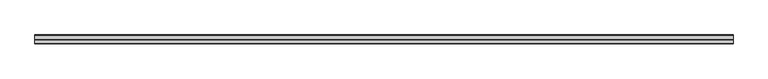
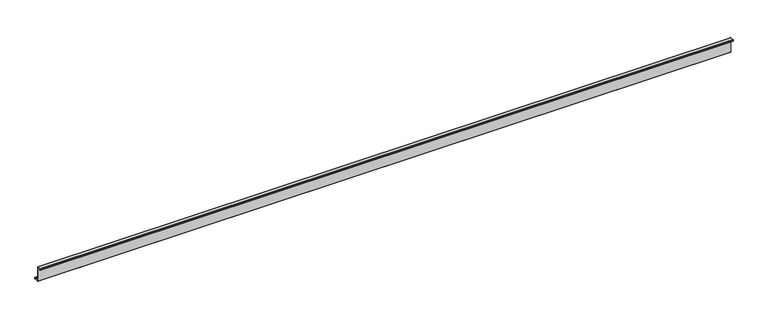
"""IFC4 building model written with IfcOpenShell, lengths in millimetres: member geometry."""

from ifc_helpers import new_model, si_unit, point, frame, frame_2d, origin, place, context, project, spatial, polyline, circle_curve, trimmed, segment, composite_curve, outline, extrude, source, transform, mapped, element, save


def member_c102cefa(model_context):
    return source(origin(), model_context, "Body", "SweptSolid", [
        extrude(outline(composite_curve([segment(polyline([(0.0, -123.5), (0.0, 123.5)]), True, "CONTINUOUS"), segment(trimmed(circle_curve(frame_2d((-2.0, 123.5)), 2.0), [point((0.0, 123.5))], [point((-2.0, 125.5))], True, "CARTESIAN"), True, "CONTINUOUS"), segment(polyline([(-2.0, 125.5), (-63.5, 125.5)]), True, "CONTINUOUS"), segment(trimmed(circle_curve(frame_2d((-63.5, 123.5)), 2.0), [point((-63.5, 125.5))], [point((-65.5, 123.5))], True, "CARTESIAN"), True, "CONTINUOUS"), segment(polyline([(-65.5, 123.5), (-65.5, 107.0), (-67.0, 107.0), (-67.0, 123.5)]), True, "CONTINUOUS"), segment(trimmed(circle_curve(frame_2d((-63.5, 123.5)), 3.5), [point((-67.0, 123.5))], [point((-63.5, 127.0))], False, "CARTESIAN"), True, "CONTINUOUS"), segment(polyline([(-63.5, 127.0), (-2.0, 127.0)]), True, "CONTINUOUS"), segment(trimmed(circle_curve(frame_2d((-2.0, 123.5)), 3.5), [point((-2.0, 127.0))], [point((1.5, 123.5))], False, "CARTESIAN"), True, "CONTINUOUS"), segment(polyline([(1.5, 123.5), (1.5, -123.5)]), True, "CONTINUOUS"), segment(trimmed(circle_curve(frame_2d((3.5, -123.5)), 2.0), [point((1.5, -123.5))], [point((3.5, -125.5))], True, "CARTESIAN"), True, "CONTINUOUS"), segment(polyline([(3.5, -125.5), (75.0, -125.5)]), True, "CONTINUOUS"), segment(trimmed(circle_curve(frame_2d((75.0, -123.5)), 2.0), [point((75.0, -125.5))], [point((77.0, -123.5))], True, "CARTESIAN"), True, "CONTINUOUS"), segment(polyline([(77.0, -123.5), (77.0, -107.5), (78.5, -107.5), (78.5, -123.5)]), True, "CONTINUOUS"), segment(trimmed(circle_curve(frame_2d((75.0, -123.5)), 3.5), [point((78.5, -123.5))], [point((75.0, -127.0))], False, "CARTESIAN"), True, "CONTINUOUS"), segment(polyline([(75.0, -127.0), (3.5, -127.0)]), True, "CONTINUOUS"), segment(trimmed(circle_curve(frame_2d((3.5, -123.5)), 3.5), [point((3.5, -127.0))], [point((0.0, -123.5))], False, "CARTESIAN"), True, "CONTINUOUS")], self_intersect=False)), frame((-5694.5, 0.0, 0.0), z_axis=(1.0, 0.0, 0.0), x_axis=(0.0, 1.0, 0.0)), (0.0, 0.0, 1.0), 11389.0),
    ])


if __name__ == "__main__":
    model = new_model("IFC4")
    model_context = context("Model", 3, world=origin())
    ifc_project = project(units=[si_unit("LENGTHUNIT", "METRE", prefix="MILLI")], contexts=[model_context])
    site = spatial("IfcSite", under=ifc_project)
    building = spatial("IfcBuilding", under=site)
    placement = place(None, origin())
    member_shape = member_c102cefa(model_context)
    element("IfcMember", 1, at=placement, inside=building, context=model_context, shape_type="MappedRepresentation", body=[
        mapped(member_shape, transform((0.0, 0.0, 0.0), x_axis=(1.0, 0.0, 0.0), y_axis=(0.0, 1.0, 0.0), z_axis=(0.0, 0.0, 1.0))),
    ])
    save(model, "model.ifc")
